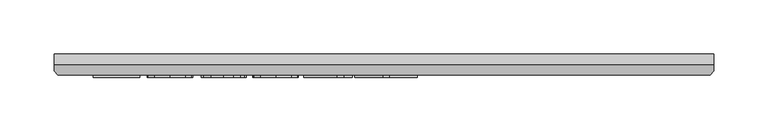
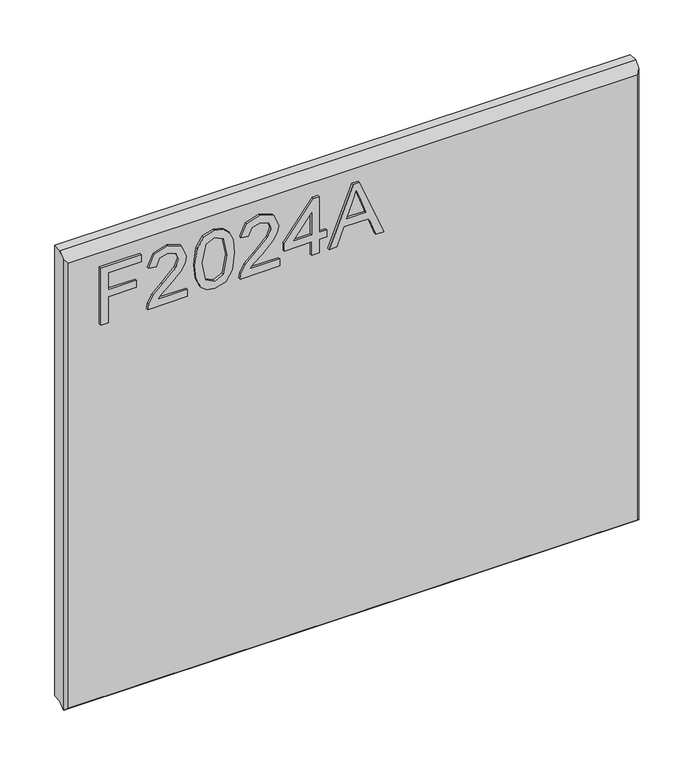
"""IFC4 building model written with IfcOpenShell, lengths in millimetres: furniture geometry."""

from ifc_helpers import new_model, si_unit, frame, origin, place, context, project, spatial, polyline, outline, extrude, faceted_brep, source, transform, mapped, element, save


def furniture_6dbe0c14(model_context):
    return source(origin(), model_context, "Body", "SolidModel", [
        extrude(outline(polyline([(2030.5117188, -249.8436441), (2030.5117188, -241.8699245), (2059.4164524, -241.8699245), (2059.4164524, -211.9684759), (2067.390172, -211.9684759), (2067.390172, -241.8699245), (2086.3277561, -241.8699245), (2086.3277561, -206.9849011), (2094.3014757, -206.9849011), (2094.3014757, -249.8436441), (2030.5117188, -249.8436441)])), frame((0.0, -21.9273437, 0.0), z_axis=(0.0, 1.0, 0.0), x_axis=(0.0, 0.0, 1.0)), (0.0, 0.0, 1.0), 2.38125),
        extrude(outline(polyline([(2038.4854384, -158.1458685), (2038.4854384, -189.4645211), (2042.5423797, -185.8670031), (2050.2124127, -176.6941108), (2061.137343, -165.270823), (2068.9553259, -160.5597875), (2076.5163433, -159.1425834), (2089.1933116, -164.3986974), (2094.3014757, -178.671967), (2089.7072427, -192.8985156), (2076.3606066, -199.0111815), (2075.3638916, -191.0374619), (2083.4154796, -187.6813358), (2086.3277561, -178.8432774), (2083.3453981, -170.3634135), (2076.0335595, -167.116303), (2067.0008302, -170.5580844), (2053.7164887, -184.3252096), (2044.4735149, -194.3079328), (2036.0092247, -199.1513445), (2030.5117188, -200.0078965), (2030.5117188, -158.1458685), (2038.4854384, -158.1458685)])), frame((0.0, -21.9273437, 0.0), z_axis=(0.0, 1.0, 0.0), x_axis=(0.0, 0.0, 1.0)), (0.0, 0.0, 1.0), 2.38125),
        extrude(outline(polyline([(2061.8926661, -150.1721488), (2046.3773962, -148.5836344), (2035.5887355, -143.818091), (2031.0334367, -137.5263279), (2029.5150038, -129.2411348), (2033.011293, -117.5686683), (2043.616963, -110.6305978), (2061.8926661, -108.3101208), (2076.8823245, -109.7584723), (2086.3199692, -113.4961533), (2092.2457511, -119.9280795), (2094.3014757, -129.2411348), (2090.828547, -140.8668803), (2080.2462375, -147.8283113), (2061.8926661, -150.1721488)]), holes=[polyline([(2061.9082397, -142.1984292), (2082.0605702, -138.3361588), (2086.3277561, -129.3345769), (2081.4843444, -119.8969322), (2061.9082397, -116.2838405), (2042.1218906, -120.0215215), (2037.4887234, -129.2411348), (2042.1063169, -138.4607482), (2061.9082397, -142.1984292)])]), frame((0.0, -21.9273438, 0.0), z_axis=(0.0, 1.0, 0.0), x_axis=(0.0, 0.0, 1.0)), (0.0, 0.0, 1.0), 2.38125),
        extrude(outline(polyline([(2038.4854384, -60.4678031), (2038.4854384, -91.7864558), (2042.5423797, -88.1889378), (2050.2124127, -79.0160455), (2061.137343, -67.5927577), (2068.9553259, -62.8817222), (2076.5163433, -61.4645181), (2089.1933116, -66.7206321), (2094.3014757, -80.9939017), (2089.7072427, -95.2204503), (2076.3606066, -101.3331162), (2075.3638916, -93.3593966), (2083.4154796, -90.0032704), (2086.3277561, -81.1652121), (2083.3453981, -72.6853481), (2076.0335595, -69.4382377), (2067.0008302, -72.880019), (2053.7164887, -86.6471443), (2044.4735149, -96.6298675), (2036.0092247, -101.4732792), (2030.5117188, -102.3298311), (2030.5117188, -60.4678031), (2038.4854384, -60.4678031)])), frame((0.0, -21.9273437, 0.0), z_axis=(0.0, 1.0, 0.0), x_axis=(0.0, 0.0, 1.0)), (0.0, 0.0, 1.0), 2.38125),
        extrude(outline(polyline([(2030.5117188, -26.5794948), (2030.5117188, -18.6057751), (2045.462443, -18.6057751), (2045.462443, -10.6320555), (2053.4361627, -10.6320555), (2053.4361627, -18.6057751), (2093.3047607, -18.6057751), (2093.3047607, -24.5860649), (2053.4361627, -55.4842284), (2045.462443, -55.4842284), (2045.462443, -26.5794948), (2030.5117188, -26.5794948)]), holes=[polyline([(2053.4361627, -26.5794948), (2053.4361627, -45.6728156), (2078.0737104, -26.5794948), (2053.4361627, -26.5794948)])]), frame((0.0, -21.9273438, 0.0), z_axis=(0.0, 1.0, 0.0), x_axis=(0.0, 0.0, 1.0)), (0.0, 0.0, 1.0), 2.38125),
        extrude(outline(polyline([(2030.5117188, -8.0935471), (2030.5117188, 0.3318089), (2050.4460178, 7.620287), (2050.4460178, 33.8930702), (2030.5117188, 41.197122), (2030.5117188, 49.6224781), (2094.3014757, 24.1595258), (2094.3014757, 17.3694052), (2030.5117188, -8.0935471)]), holes=[polyline([(2058.4197374, 10.5481372), (2075.4729073, 16.7931793), (2086.3277561, 20.7644655), (2074.1024242, 25.2341091), (2058.4197374, 30.9807937), (2058.4197374, 10.5481372)])]), frame((0.0, -21.9273437, 0.0), z_axis=(0.0, 1.0, 0.0), x_axis=(0.0, 0.0, 1.0)), (0.0, 0.0, 1.0), 2.38125),
        faceted_brep([(323.5377049, 0.0, 2119.4117187), (-286.0622951, 0.0, 2119.4117187), (-286.0622951, -10.0314449, 2119.4117187), (323.5377049, -10.0314449, 2119.4117187), (-286.0622951, 0.0, 1614.884375), (323.5377049, 0.0, 1614.884375), (323.5377049, -10.0314449, 1614.884375), (-286.0622951, -10.0314449, 1614.884375), (-286.0622951, -15.7726273, 1609.1431927), (-286.0622951, -15.7726273, 2113.6705364), (-282.8959807, -19.5460937, 1611.709375), (320.3713906, -19.5460937, 1611.709375), (320.3713906, -19.5460937, 2109.8970699), (-282.8959807, -19.5460937, 2109.8970699), (323.5377049, -15.7726273, 2113.6705364), (323.5377049, -15.7726273, 1609.1431927), (-285.5514364, -16.3814449, 1608.534375), (323.0268462, -16.3814449, 1608.534375)], [[[0, 1, 2, 3]], [[4, 5, 6, 7]], [[1, 4, 7, 8, 9, 2]], [[10, 11, 12, 13]], [[5, 0, 3, 14, 15, 6]], [[1, 0, 5, 4]], [[11, 10, 16, 17]], [[7, 6, 15, 17, 16, 8]], [[3, 2, 9, 13, 12, 14]], [[9, 8, 16, 10, 13]], [[12, 11, 17, 15, 14]]]),
    ])


if __name__ == "__main__":
    model = new_model("IFC4")
    model_context = context("Model", 3, world=origin())
    ifc_project = project(units=[si_unit("LENGTHUNIT", "METRE", prefix="MILLI")], contexts=[model_context])
    site = spatial("IfcSite", under=ifc_project)
    building = spatial("IfcBuilding", under=site)
    placement = place(None, origin())
    furniture_shape = furniture_6dbe0c14(model_context)
    element("IfcFurniture", 1, at=placement, inside=building, context=model_context, shape_type="MappedRepresentation", body=[
        mapped(furniture_shape, transform((0.0, 0.0, 0.0), x_axis=(1.0, 0.0, 0.0), y_axis=(0.0, 1.0, 0.0), z_axis=(0.0, 0.0, 1.0))),
    ])
    save(model, "model.ifc")
